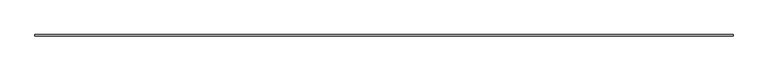
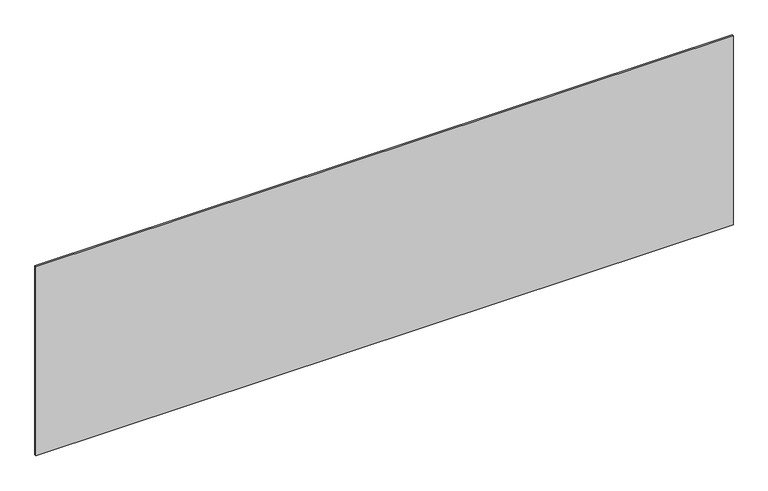
"""IFC4 building model written with IfcOpenShell, lengths in millimetres: plate geometry."""

from ifc_helpers import new_model, si_unit, origin, origin_with_axes, place, context, project, spatial, polyline, outline, extrude, source, transform, mapped, element, save


def plate_084b53fd(model_context):
    return source(origin(), model_context, "Body", "SweptSolid", [
        extrude(outline(polyline([(2206.6666667, -5.0), (-2206.6666667, -5.0), (-2206.6666667, 5.0), (2206.6666667, 5.0), (2206.6666667, -5.0)])), origin_with_axes(), (0.0, 0.0, 1.0), 1264.3262548),
    ])


if __name__ == "__main__":
    model = new_model("IFC4")
    model_context = context("Model", 3, world=origin())
    ifc_project = project(units=[si_unit("LENGTHUNIT", "METRE", prefix="MILLI")], contexts=[model_context])
    site = spatial("IfcSite", under=ifc_project)
    building = spatial("IfcBuilding", under=site)
    placement = place(None, origin())
    plate_shape = plate_084b53fd(model_context)
    element("IfcPlate", 1, at=placement, inside=building, context=model_context, shape_type="MappedRepresentation", body=[
        mapped(plate_shape, transform((0.0, 0.0, 0.0), x_axis=(1.0, 0.0, 0.0), y_axis=(0.0, 1.0, 0.0), z_axis=(0.0, 0.0, 1.0))),
    ])
    save(model, "model.ifc")
